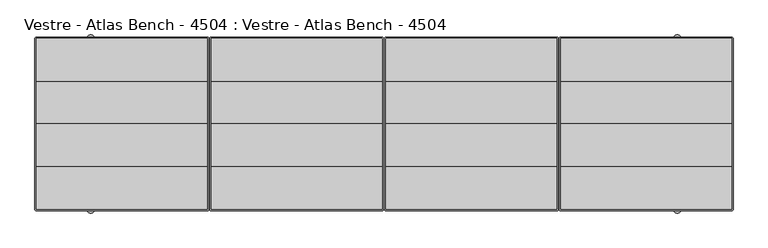
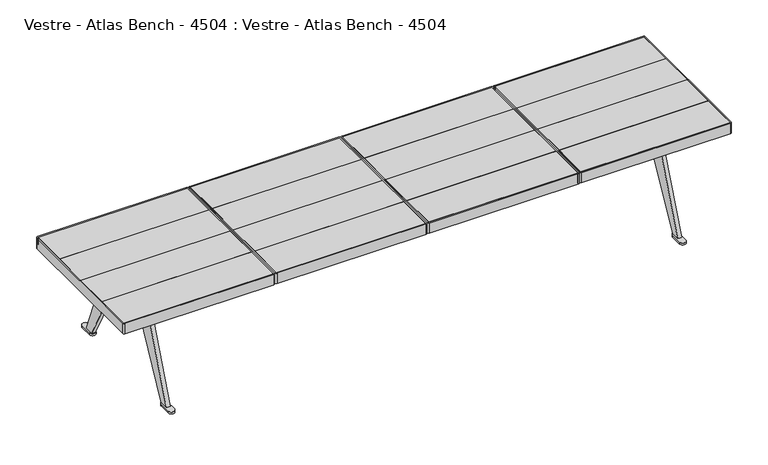
"""IFC4 building model written with IfcOpenShell, lengths in millimetres: furniture geometry, Vestre - Atlas Bench - 4504 : Vestre - Atlas Bench - 4504."""

from ifc_helpers import new_model, si_unit, point, frame, frame_2d, origin, origin_with_axes, place, context, project, spatial, polyline, circle_curve, trimmed, segment, composite_curve, outline, extrude, faceted_brep, source, transform, mapped, element, save


def vestre_atlas_bench_4504_vestre_atlas_bench_4504_dc1d7b06(model_context):
    return source(origin(), model_context, "Body", "SolidModel", [
        extrude(outline(polyline([(6.5004753, -146.0000273), (6.5004753, 0.0), (596.5005089, 0.0), (596.5005089, -146.0000273), (6.5004753, -146.0000273)])), frame((0.0, 0.0, 410.700222), z_axis=(0.0, 0.0, 1.0), x_axis=(1.0, 0.0, 0.0)), (0.0, 0.0, 1.0), 27.9999988),
        extrude(outline(polyline([(6.5004753, 146.0000273), (596.5005089, 146.0000273), (596.5005089, 0.0), (6.5004753, 0.0), (6.5004753, 146.0000273)])), frame((0.0, 0.0, 410.700222), z_axis=(0.0, 0.0, 1.0), x_axis=(1.0, 0.0, 0.0)), (0.0, 0.0, 1.0), 27.9999988),
        extrude(outline(composite_curve([segment(trimmed(circle_curve(frame_2d((595.5097381, 294.0091733)), 0.9907708), [point((595.5097381, 294.9999441))], [point((596.5005089, 294.0091733))], False, "CARTESIAN"), True, "CONTINUOUS"), segment(polyline([(596.5005089, 294.0091733), (596.5005089, 146.0000273), (6.5004753, 146.0000273), (6.5004753, 294.0104801)]), True, "CONTINUOUS"), segment(trimmed(circle_curve(frame_2d((7.4899393, 294.0104801)), 0.989464), [point((6.5004753, 294.0104801))], [point((7.4899393, 294.9999441))], False, "CARTESIAN"), True, "CONTINUOUS"), segment(polyline([(7.4899393, 294.9999441), (595.5097381, 294.9999441)]), True, "CONTINUOUS")], self_intersect=False)), frame((0.0, 0.0, 410.700222), z_axis=(0.0, 0.0, 1.0), x_axis=(1.0, 0.0, 0.0)), (0.0, 0.0, 1.0), 27.9999988),
        extrude(outline(composite_curve([segment(polyline([(595.5362934, -295.0000895), (7.498907, -295.0000895)]), True, "CONTINUOUS"), segment(trimmed(circle_curve(frame_2d((7.498907, -294.0016577)), 0.9984317), [point((7.498907, -295.0000895))], [point((6.5004753, -294.0016577))], False, "CARTESIAN"), True, "CONTINUOUS"), segment(polyline([(6.5004753, -294.0016577), (6.5004753, -146.0000273), (596.5005089, -146.0000273), (596.5005089, -294.035874)]), True, "CONTINUOUS"), segment(trimmed(circle_curve(frame_2d((595.5362934, -294.035874)), 0.9642155), [point((596.5005089, -294.035874))], [point((595.5362934, -295.0000895))], False, "CARTESIAN"), True, "CONTINUOUS")], self_intersect=False)), frame((0.0, 0.0, 410.700222), z_axis=(0.0, 0.0, 1.0), x_axis=(1.0, 0.0, 0.0)), (0.0, 0.0, 1.0), 27.9999988),
        extrude(outline(polyline([(266.5008842, -34.9999712), (266.5008842, 34.9999712), (336.5000999, 34.9999712), (336.5000999, -34.9999712), (266.5008842, -34.9999712)])), frame((0.0, 0.0, 370.8502198), z_axis=(0.0, 0.0, 1.0), x_axis=(1.0, 0.0, 0.0)), (0.0, 0.0, 1.0), 39.8500022),
        extrude(outline(composite_curve([segment(trimmed(circle_curve(frame_2d((595.5370686, -294.0369399)), 5.9631351), [point((601.5002037, -294.0369399))], [point((595.5370686, -300.000075))], False, "CARTESIAN"), True, "CONTINUOUS"), segment(polyline([(595.5370686, -300.000075), (7.5007805, -300.000075)]), True, "CONTINUOUS"), segment(trimmed(circle_curve(frame_2d((7.5007805, -294.000075)), 6.0), [point((7.5007805, -300.000075))], [point((1.5007805, -294.000075))], False, "CARTESIAN"), True, "CONTINUOUS"), segment(polyline([(1.5007805, -294.000075), (1.5007805, 294.000075)]), True, "CONTINUOUS"), segment(trimmed(circle_curve(frame_2d((7.5007805, 294.000075)), 6.0), [point((1.5007805, 294.000075))], [point((7.5007805, 300.000075))], False, "CARTESIAN"), True, "CONTINUOUS"), segment(polyline([(7.5007805, 300.000075), (595.5002037, 300.000075)]), True, "CONTINUOUS"), segment(trimmed(circle_curve(frame_2d((595.5002037, 294.000075)), 6.0), [point((595.5002037, 300.000075))], [point((601.5002037, 294.000075))], False, "CARTESIAN"), True, "CONTINUOUS"), segment(polyline([(601.5002037, 294.000075), (601.5002037, -294.0369399)]), True, "CONTINUOUS")], self_intersect=False), holes=[composite_curve([segment(polyline([(596.5005089, -294.035874), (596.5005089, 294.0091733)]), True, "CONTINUOUS"), segment(trimmed(circle_curve(frame_2d((595.5097381, 294.0091733)), 0.9907708), [point((596.5005089, 294.0091733))], [point((595.5097381, 294.9999441))], True, "CARTESIAN"), True, "CONTINUOUS"), segment(polyline([(595.5097381, 294.9999441), (7.4899393, 294.9999441)]), True, "CONTINUOUS"), segment(trimmed(circle_curve(frame_2d((7.4899393, 294.0104801)), 0.989464), [point((7.4899393, 294.9999441))], [point((6.5004753, 294.0104801))], True, "CARTESIAN"), True, "CONTINUOUS"), segment(polyline([(6.5004753, 294.0104801), (6.5004753, -294.0016577)]), True, "CONTINUOUS"), segment(trimmed(circle_curve(frame_2d((7.498907, -294.0016577)), 0.9984317), [point((6.5004753, -294.0016577))], [point((7.498907, -295.0000895))], True, "CARTESIAN"), True, "CONTINUOUS"), segment(polyline([(7.498907, -295.0000895), (595.5362934, -295.0000895)]), True, "CONTINUOUS"), segment(trimmed(circle_curve(frame_2d((595.5362934, -294.035874)), 0.9642155), [point((595.5362934, -295.0000895))], [point((596.5005089, -294.035874))], True, "CARTESIAN"), True, "CONTINUOUS")], self_intersect=False)]), frame((0.0, 0.0, 395.7002292), z_axis=(0.0, 0.0, 1.0), x_axis=(1.0, 0.0, 0.0)), (0.0, 0.0, 1.0), 42.9999916),
        extrude(outline(polyline([(-6.5004753, -146.0000273), (-596.5005089, -146.0000273), (-596.5005089, 0.0), (-6.5004753, 0.0), (-6.5004753, -146.0000273)])), frame((0.0, 0.0, 410.700222), z_axis=(0.0, 0.0, 1.0), x_axis=(1.0, 0.0, 0.0)), (0.0, 0.0, 1.0), 27.9999988),
        extrude(outline(polyline([(-6.5004753, 146.0000273), (-6.5004753, 0.0), (-596.5005089, 0.0), (-596.5005089, 146.0000273), (-6.5004753, 146.0000273)])), frame((0.0, 0.0, 410.700222), z_axis=(0.0, 0.0, 1.0), x_axis=(1.0, 0.0, 0.0)), (0.0, 0.0, 1.0), 27.9999988),
        extrude(outline(composite_curve([segment(polyline([(-595.5097381, 294.9999441), (-7.4899393, 294.9999441)]), True, "CONTINUOUS"), segment(trimmed(circle_curve(frame_2d((-7.4899393, 294.0104801)), 0.989464), [point((-7.4899393, 294.9999441))], [point((-6.5004753, 294.0104801))], False, "CARTESIAN"), True, "CONTINUOUS"), segment(polyline([(-6.5004753, 294.0104801), (-6.5004753, 146.0000273), (-596.5005089, 146.0000273), (-596.5005089, 294.0091733)]), True, "CONTINUOUS"), segment(trimmed(circle_curve(frame_2d((-595.5097381, 294.0091733)), 0.9907708), [point((-596.5005089, 294.0091733))], [point((-595.5097381, 294.9999441))], False, "CARTESIAN"), True, "CONTINUOUS")], self_intersect=False)), frame((0.0, 0.0, 410.700222), z_axis=(0.0, 0.0, 1.0), x_axis=(1.0, 0.0, 0.0)), (0.0, 0.0, 1.0), 27.9999988),
        extrude(outline(composite_curve([segment(trimmed(circle_curve(frame_2d((-595.5362934, -294.035874)), 0.9642155), [point((-595.5362934, -295.0000895))], [point((-596.5005089, -294.035874))], False, "CARTESIAN"), True, "CONTINUOUS"), segment(polyline([(-596.5005089, -294.035874), (-596.5005089, -146.0000273), (-6.5004753, -146.0000273), (-6.5004753, -294.0016577)]), True, "CONTINUOUS"), segment(trimmed(circle_curve(frame_2d((-7.498907, -294.0016577)), 0.9984317), [point((-6.5004753, -294.0016577))], [point((-7.498907, -295.0000895))], False, "CARTESIAN"), True, "CONTINUOUS"), segment(polyline([(-7.498907, -295.0000895), (-595.5362934, -295.0000895)]), True, "CONTINUOUS")], self_intersect=False)), frame((0.0, 0.0, 410.700222), z_axis=(0.0, 0.0, 1.0), x_axis=(1.0, 0.0, 0.0)), (0.0, 0.0, 1.0), 27.9999988),
        extrude(outline(polyline([(-266.5008842, 34.9999712), (-266.5008842, -34.9999712), (-336.5000999, -34.9999712), (-336.5000999, 34.9999712), (-266.5008842, 34.9999712)])), frame((0.0, 0.0, 370.8502198), z_axis=(0.0, 0.0, 1.0), x_axis=(1.0, 0.0, 0.0)), (0.0, 0.0, 1.0), 39.8500022),
        extrude(outline(composite_curve([segment(polyline([(-601.5002037, -294.0369399), (-601.5002037, 294.000075)]), True, "CONTINUOUS"), segment(trimmed(circle_curve(frame_2d((-595.5002037, 294.000075)), 6.0), [point((-601.5002037, 294.000075))], [point((-595.5002037, 300.000075))], False, "CARTESIAN"), True, "CONTINUOUS"), segment(polyline([(-595.5002037, 300.000075), (-7.5007805, 300.000075)]), True, "CONTINUOUS"), segment(trimmed(circle_curve(frame_2d((-7.5007805, 294.000075)), 6.0), [point((-7.5007805, 300.000075))], [point((-1.5007805, 294.000075))], False, "CARTESIAN"), True, "CONTINUOUS"), segment(polyline([(-1.5007805, 294.000075), (-1.5007805, -294.000075)]), True, "CONTINUOUS"), segment(trimmed(circle_curve(frame_2d((-7.5007805, -294.000075)), 6.0), [point((-1.5007805, -294.000075))], [point((-7.5007805, -300.000075))], False, "CARTESIAN"), True, "CONTINUOUS"), segment(polyline([(-7.5007805, -300.000075), (-595.5370686, -300.000075)]), True, "CONTINUOUS"), segment(trimmed(circle_curve(frame_2d((-595.5370686, -294.0369399)), 5.9631351), [point((-595.5370686, -300.000075))], [point((-601.5002037, -294.0369399))], False, "CARTESIAN"), True, "CONTINUOUS")], self_intersect=False), holes=[composite_curve([segment(trimmed(circle_curve(frame_2d((-595.5362934, -294.035874)), 0.9642155), [point((-596.5005089, -294.035874))], [point((-595.5362934, -295.0000895))], True, "CARTESIAN"), True, "CONTINUOUS"), segment(polyline([(-595.5362934, -295.0000895), (-7.498907, -295.0000895)]), True, "CONTINUOUS"), segment(trimmed(circle_curve(frame_2d((-7.498907, -294.0016577)), 0.9984317), [point((-7.498907, -295.0000895))], [point((-6.5004753, -294.0016577))], True, "CARTESIAN"), True, "CONTINUOUS"), segment(polyline([(-6.5004753, -294.0016577), (-6.5004753, 294.0104801)]), True, "CONTINUOUS"), segment(trimmed(circle_curve(frame_2d((-7.4899393, 294.0104801)), 0.989464), [point((-6.5004753, 294.0104801))], [point((-7.4899393, 294.9999441))], True, "CARTESIAN"), True, "CONTINUOUS"), segment(polyline([(-7.4899393, 294.9999441), (-595.5097381, 294.9999441)]), True, "CONTINUOUS"), segment(trimmed(circle_curve(frame_2d((-595.5097381, 294.0091733)), 0.9907708), [point((-595.5097381, 294.9999441))], [point((-596.5005089, 294.0091733))], True, "CARTESIAN"), True, "CONTINUOUS"), segment(polyline([(-596.5005089, 294.0091733), (-596.5005089, -294.035874)]), True, "CONTINUOUS")], self_intersect=False)]), frame((0.0, 0.0, 395.7002292), z_axis=(0.0, 0.0, 1.0), x_axis=(1.0, 0.0, 0.0)), (0.0, 0.0, 1.0), 42.9999916),
        extrude(outline(polyline([(609.5002968, -146.0000273), (609.5002968, 0.0), (1199.5003304, 0.0), (1199.5003304, -146.0000273), (609.5002968, -146.0000273)])), frame((0.0, 0.0, 410.700222), z_axis=(0.0, 0.0, 1.0), x_axis=(1.0, 0.0, 0.0)), (0.0, 0.0, 1.0), 27.9999988),
        extrude(outline(polyline([(609.5002968, 146.0000273), (1199.5003304, 146.0000273), (1199.5003304, 0.0), (609.5002968, 0.0), (609.5002968, 146.0000273)])), frame((0.0, 0.0, 410.700222), z_axis=(0.0, 0.0, 1.0), x_axis=(1.0, 0.0, 0.0)), (0.0, 0.0, 1.0), 27.9999988),
        extrude(outline(composite_curve([segment(trimmed(circle_curve(frame_2d((1198.5095596, 294.0091733)), 0.9907708), [point((1198.5095596, 294.9999441))], [point((1199.5003304, 294.0091733))], False, "CARTESIAN"), True, "CONTINUOUS"), segment(polyline([(1199.5003304, 294.0091733), (1199.5003304, 146.0000273), (609.5002968, 146.0000273), (609.5002968, 294.0104801)]), True, "CONTINUOUS"), segment(trimmed(circle_curve(frame_2d((610.4897608, 294.0104801)), 0.989464), [point((609.5002968, 294.0104801))], [point((610.4897608, 294.9999441))], False, "CARTESIAN"), True, "CONTINUOUS"), segment(polyline([(610.4897608, 294.9999441), (1198.5095596, 294.9999441)]), True, "CONTINUOUS")], self_intersect=False)), frame((0.0, 0.0, 410.700222), z_axis=(0.0, 0.0, 1.0), x_axis=(1.0, 0.0, 0.0)), (0.0, 0.0, 1.0), 27.9999988),
        extrude(outline(composite_curve([segment(polyline([(1198.5361149, -295.0000895), (610.4987285, -295.0000895)]), True, "CONTINUOUS"), segment(trimmed(circle_curve(frame_2d((610.4987285, -294.0016577)), 0.9984317), [point((610.4987285, -295.0000895))], [point((609.5002968, -294.0016577))], False, "CARTESIAN"), True, "CONTINUOUS"), segment(polyline([(609.5002968, -294.0016577), (609.5002968, -146.0000273), (1199.5003304, -146.0000273), (1199.5003304, -294.035874)]), True, "CONTINUOUS"), segment(trimmed(circle_curve(frame_2d((1198.5361149, -294.035874)), 0.9642155), [point((1199.5003304, -294.035874))], [point((1198.5361149, -295.0000895))], False, "CARTESIAN"), True, "CONTINUOUS")], self_intersect=False)), frame((0.0, 0.0, 410.700222), z_axis=(0.0, 0.0, 1.0), x_axis=(1.0, 0.0, 0.0)), (0.0, 0.0, 1.0), 27.9999988),
        extrude(outline(polyline([(869.5007057, -34.9999712), (869.5007057, 34.9999712), (939.4999214, 34.9999712), (939.4999214, -34.9999712), (869.5007057, -34.9999712)])), frame((0.0, 0.0, 370.8502198), z_axis=(0.0, 0.0, 1.0), x_axis=(1.0, 0.0, 0.0)), (0.0, 0.0, 1.0), 39.8500022),
        extrude(outline(composite_curve([segment(trimmed(circle_curve(frame_2d((1198.5368901, -294.0369399)), 5.9631351), [point((1204.5000252, -294.0369399))], [point((1198.5368901, -300.000075))], False, "CARTESIAN"), True, "CONTINUOUS"), segment(polyline([(1198.5368901, -300.000075), (610.500602, -300.000075)]), True, "CONTINUOUS"), segment(trimmed(circle_curve(frame_2d((610.500602, -294.000075)), 6.0), [point((610.500602, -300.000075))], [point((604.500602, -294.000075))], False, "CARTESIAN"), True, "CONTINUOUS"), segment(polyline([(604.500602, -294.000075), (604.500602, 294.000075)]), True, "CONTINUOUS"), segment(trimmed(circle_curve(frame_2d((610.500602, 294.000075)), 6.0), [point((604.500602, 294.000075))], [point((610.500602, 300.000075))], False, "CARTESIAN"), True, "CONTINUOUS"), segment(polyline([(610.500602, 300.000075), (1198.5000252, 300.000075)]), True, "CONTINUOUS"), segment(trimmed(circle_curve(frame_2d((1198.5000252, 294.000075)), 6.0), [point((1198.5000252, 300.000075))], [point((1204.5000252, 294.000075))], False, "CARTESIAN"), True, "CONTINUOUS"), segment(polyline([(1204.5000252, 294.000075), (1204.5000252, -294.0369399)]), True, "CONTINUOUS")], self_intersect=False), holes=[composite_curve([segment(polyline([(1199.5003304, -294.035874), (1199.5003304, 294.0091733)]), True, "CONTINUOUS"), segment(trimmed(circle_curve(frame_2d((1198.5095596, 294.0091733)), 0.9907708), [point((1199.5003304, 294.0091733))], [point((1198.5095596, 294.9999441))], True, "CARTESIAN"), True, "CONTINUOUS"), segment(polyline([(1198.5095596, 294.9999441), (610.4897608, 294.9999441)]), True, "CONTINUOUS"), segment(trimmed(circle_curve(frame_2d((610.4897608, 294.0104801)), 0.989464), [point((610.4897608, 294.9999441))], [point((609.5002968, 294.0104801))], True, "CARTESIAN"), True, "CONTINUOUS"), segment(polyline([(609.5002968, 294.0104801), (609.5002968, -294.0016577)]), True, "CONTINUOUS"), segment(trimmed(circle_curve(frame_2d((610.4987285, -294.0016577)), 0.9984317), [point((609.5002968, -294.0016577))], [point((610.4987285, -295.0000895))], True, "CARTESIAN"), True, "CONTINUOUS"), segment(polyline([(610.4987285, -295.0000895), (1198.5361149, -295.0000895)]), True, "CONTINUOUS"), segment(trimmed(circle_curve(frame_2d((1198.5361149, -294.035874)), 0.9642155), [point((1198.5361149, -295.0000895))], [point((1199.5003304, -294.035874))], True, "CARTESIAN"), True, "CONTINUOUS")], self_intersect=False)]), frame((0.0, 0.0, 395.7002292), z_axis=(0.0, 0.0, 1.0), x_axis=(1.0, 0.0, 0.0)), (0.0, 0.0, 1.0), 42.9999916),
        extrude(outline(polyline([(-609.5002968, -146.0000273), (-1199.5003304, -146.0000273), (-1199.5003304, 0.0), (-609.5002968, 0.0), (-609.5002968, -146.0000273)])), frame((0.0, 0.0, 410.700222), z_axis=(0.0, 0.0, 1.0), x_axis=(1.0, 0.0, 0.0)), (0.0, 0.0, 1.0), 27.9999988),
        extrude(outline(polyline([(-609.5002968, 146.0000273), (-609.5002968, 0.0), (-1199.5003304, 0.0), (-1199.5003304, 146.0000273), (-609.5002968, 146.0000273)])), frame((0.0, 0.0, 410.700222), z_axis=(0.0, 0.0, 1.0), x_axis=(1.0, 0.0, 0.0)), (0.0, 0.0, 1.0), 27.9999988),
        extrude(outline(composite_curve([segment(polyline([(-1198.5095596, 294.9999441), (-610.4897608, 294.9999441)]), True, "CONTINUOUS"), segment(trimmed(circle_curve(frame_2d((-610.4897608, 294.0104801)), 0.989464), [point((-610.4897608, 294.9999441))], [point((-609.5002968, 294.0104801))], False, "CARTESIAN"), True, "CONTINUOUS"), segment(polyline([(-609.5002968, 294.0104801), (-609.5002968, 146.0000273), (-1199.5003304, 146.0000273), (-1199.5003304, 294.0091733)]), True, "CONTINUOUS"), segment(trimmed(circle_curve(frame_2d((-1198.5095596, 294.0091733)), 0.9907708), [point((-1199.5003304, 294.0091733))], [point((-1198.5095596, 294.9999441))], False, "CARTESIAN"), True, "CONTINUOUS")], self_intersect=False)), frame((0.0, 0.0, 410.700222), z_axis=(0.0, 0.0, 1.0), x_axis=(1.0, 0.0, 0.0)), (0.0, 0.0, 1.0), 27.9999988),
        extrude(outline(composite_curve([segment(trimmed(circle_curve(frame_2d((-1198.5361149, -294.035874)), 0.9642155), [point((-1198.5361149, -295.0000895))], [point((-1199.5003304, -294.035874))], False, "CARTESIAN"), True, "CONTINUOUS"), segment(polyline([(-1199.5003304, -294.035874), (-1199.5003304, -146.0000273), (-609.5002968, -146.0000273), (-609.5002968, -294.0016577)]), True, "CONTINUOUS"), segment(trimmed(circle_curve(frame_2d((-610.4987285, -294.0016577)), 0.9984317), [point((-609.5002968, -294.0016577))], [point((-610.4987285, -295.0000895))], False, "CARTESIAN"), True, "CONTINUOUS"), segment(polyline([(-610.4987285, -295.0000895), (-1198.5361149, -295.0000895)]), True, "CONTINUOUS")], self_intersect=False)), frame((0.0, 0.0, 410.700222), z_axis=(0.0, 0.0, 1.0), x_axis=(1.0, 0.0, 0.0)), (0.0, 0.0, 1.0), 27.9999988),
        extrude(outline(polyline([(-869.5007057, 34.9999712), (-869.5007057, -34.9999712), (-939.4999214, -34.9999712), (-939.4999214, 34.9999712), (-869.5007057, 34.9999712)])), frame((0.0, 0.0, 370.8502198), z_axis=(0.0, 0.0, 1.0), x_axis=(1.0, 0.0, 0.0)), (0.0, 0.0, 1.0), 39.8500022),
        extrude(outline(composite_curve([segment(polyline([(-1204.5000252, -294.0369399), (-1204.5000252, 294.000075)]), True, "CONTINUOUS"), segment(trimmed(circle_curve(frame_2d((-1198.5000252, 294.000075)), 6.0), [point((-1204.5000252, 294.000075))], [point((-1198.5000252, 300.000075))], False, "CARTESIAN"), True, "CONTINUOUS"), segment(polyline([(-1198.5000252, 300.000075), (-610.500602, 300.000075)]), True, "CONTINUOUS"), segment(trimmed(circle_curve(frame_2d((-610.500602, 294.000075)), 6.0), [point((-610.500602, 300.000075))], [point((-604.500602, 294.000075))], False, "CARTESIAN"), True, "CONTINUOUS"), segment(polyline([(-604.500602, 294.000075), (-604.500602, -294.000075)]), True, "CONTINUOUS"), segment(trimmed(circle_curve(frame_2d((-610.500602, -294.000075)), 6.0), [point((-604.500602, -294.000075))], [point((-610.500602, -300.000075))], False, "CARTESIAN"), True, "CONTINUOUS"), segment(polyline([(-610.500602, -300.000075), (-1198.5368901, -300.000075)]), True, "CONTINUOUS"), segment(trimmed(circle_curve(frame_2d((-1198.5368901, -294.0369399)), 5.9631351), [point((-1198.5368901, -300.000075))], [point((-1204.5000252, -294.0369399))], False, "CARTESIAN"), True, "CONTINUOUS")], self_intersect=False), holes=[composite_curve([segment(trimmed(circle_curve(frame_2d((-1198.5361149, -294.035874)), 0.9642155), [point((-1199.5003304, -294.035874))], [point((-1198.5361149, -295.0000895))], True, "CARTESIAN"), True, "CONTINUOUS"), segment(polyline([(-1198.5361149, -295.0000895), (-610.4987285, -295.0000895)]), True, "CONTINUOUS"), segment(trimmed(circle_curve(frame_2d((-610.4987285, -294.0016577)), 0.9984317), [point((-610.4987285, -295.0000895))], [point((-609.5002968, -294.0016577))], True, "CARTESIAN"), True, "CONTINUOUS"), segment(polyline([(-609.5002968, -294.0016577), (-609.5002968, 294.0104801)]), True, "CONTINUOUS"), segment(trimmed(circle_curve(frame_2d((-610.4897608, 294.0104801)), 0.989464), [point((-609.5002968, 294.0104801))], [point((-610.4897608, 294.9999441))], True, "CARTESIAN"), True, "CONTINUOUS"), segment(polyline([(-610.4897608, 294.9999441), (-1198.5095596, 294.9999441)]), True, "CONTINUOUS"), segment(trimmed(circle_curve(frame_2d((-1198.5095596, 294.0091733)), 0.9907708), [point((-1198.5095596, 294.9999441))], [point((-1199.5003304, 294.0091733))], True, "CARTESIAN"), True, "CONTINUOUS"), segment(polyline([(-1199.5003304, 294.0091733), (-1199.5003304, -294.035874)]), True, "CONTINUOUS")], self_intersect=False)]), frame((0.0, 0.0, 395.7002292), z_axis=(0.0, 0.0, 1.0), x_axis=(1.0, 0.0, 0.0)), (0.0, 0.0, 1.0), 42.9999916),
        faceted_brep([(1004.5000237, 0.000218, 304.9999878), (1004.5000237, 77.4830612, 400.0000031), (1004.5000237, -77.4830612, 400.0000031), (-1004.5000237, 0.000218, 304.9999878), (-1004.5000237, -77.4830612, 400.0000031), (-1004.5000237, 77.4830612, 400.0000031), (-869.5001244, 34.9998985, 400.0000031), (-869.5001244, -34.9998985, 400.0000031), (-939.4999214, -34.9998985, 400.0000031), (-939.4999214, 34.9998985, 400.0000031), (-266.5003029, -34.9998985, 400.0000031), (-336.5000999, -34.9998985, 400.0000031), (-336.5000999, 34.9998985, 400.0000031), (-266.5003029, 34.9998985, 400.0000031), (939.4987587, -34.9998985, 400.0000031), (869.4989616, -34.9998985, 400.0000031), (869.4989616, 34.9998985, 400.0000031), (939.4987587, 34.9998985, 400.0000031), (336.4989372, 34.9998985, 400.0000031), (336.4989372, -34.9998985, 400.0000031), (266.4991402, -34.9998985, 400.0000031), (266.4991402, 34.9998985, 400.0000031), (-869.5001244, -34.9998985, 370.8502198), (-869.5001244, 34.9998985, 370.8502198), (-939.4999214, 34.9998985, 370.8502198), (-939.4999214, -34.9998985, 370.8502198), (-336.5000999, -34.9998985, 370.8502198), (-266.5003029, -34.9998985, 370.8502198), (-266.5003029, 34.9998985, 370.8502198), (-336.5000999, 34.9998985, 370.8502198), (869.4989616, -34.9998985, 370.8502198), (939.4987587, -34.9998985, 370.8502198), (939.4987587, 34.9998985, 370.8502198), (869.4989616, 34.9998985, 370.8502198), (336.4989372, -34.9998985, 370.8502198), (336.4989372, 34.9998985, 370.8502198), (266.4991402, 34.9998985, 370.8502198), (266.4991402, -34.9998985, 370.8502198)], [[[0, 1, 2]], [[3, 4, 5]], [[1, 0, 3, 5]], [[2, 1, 5, 4], [6, 7, 8, 9], [10, 11, 12, 13], [14, 15, 16, 17], [18, 19, 20, 21]], [[0, 2, 4, 3]], [[22, 23, 24, 25]], [[26, 27, 28, 29]], [[30, 31, 32, 33]], [[34, 35, 36, 37]], [[23, 22, 7, 6]], [[24, 23, 6, 9]], [[25, 24, 9, 8]], [[22, 25, 8, 7]], [[27, 26, 11, 10]], [[28, 27, 10, 13]], [[29, 28, 13, 12]], [[26, 29, 12, 11]], [[31, 30, 15, 14]], [[32, 31, 14, 17]], [[33, 32, 17, 16]], [[30, 33, 16, 15]], [[35, 34, 19, 18]], [[36, 35, 18, 21]], [[37, 36, 21, 20]], [[34, 37, 20, 19]]]),
        extrude(outline(composite_curve([segment(polyline([(274.4583657, 7.85), (238.7434801, 7.85), (86.6509732, 294.3770811)]), True, "CONTINUOUS"), segment(trimmed(circle_curve(frame_2d((68.9854666, 284.9999878)), 20.0), [point((86.6509732, 294.3770811))], [point((68.9854666, 304.9999878))], True, "CARTESIAN"), True, "CONTINUOUS"), segment(polyline([(68.9854666, 304.9999878), (-68.9850306, 304.9999878)]), True, "CONTINUOUS"), segment(trimmed(circle_curve(frame_2d((-68.9850306, 284.9999878)), 20.0), [point((-68.9850306, 304.9999878))], [point((-86.6505371, 294.3770811))], True, "CARTESIAN"), True, "CONTINUOUS"), segment(polyline([(-86.6505371, 294.3770811), (-238.7430441, 7.85), (-274.4579296, 7.85), (-122.5038091, 393.6645503)]), True, "CONTINUOUS"), segment(trimmed(circle_curve(frame_2d((-113.1994503, 390.0000031)), 10.0), [point((-122.5038091, 393.6645503))], [point((-113.1994503, 400.0000031))], False, "CARTESIAN"), True, "CONTINUOUS"), segment(polyline([(-113.1994503, 400.0000031), (113.1998863, 400.0000031)]), True, "CONTINUOUS"), segment(trimmed(circle_curve(frame_2d((113.1998863, 390.0000031)), 10.0), [point((113.1998863, 400.0000031))], [point((122.5042451, 393.6645503))], False, "CARTESIAN"), True, "CONTINUOUS"), segment(polyline([(122.5042451, 393.6645503), (274.4583657, 7.85)]), True, "CONTINUOUS")], self_intersect=False)), frame((1004.4988609, 0.0, 0.0), z_axis=(1.0, 0.0, 0.0), x_axis=(0.0, 1.0, 0.0)), (0.0, 0.0, 1.0), 15.0002472),
        extrude(outline(composite_curve([segment(trimmed(circle_curve(frame_2d((-1011.9998566, 294.7883199)), 12.5001091), [point((-1024.4999657, 294.7883199))], [point((-999.4997475, 294.7883199))], False, "CARTESIAN"), True, "CONTINUOUS"), segment(polyline([(-999.4997475, 294.7883199), (-999.4997475, 246.6673202)]), True, "CONTINUOUS"), segment(trimmed(circle_curve(frame_2d((-1011.9998566, 246.6673202)), 12.5001091), [point((-999.4997475, 246.6673202))], [point((-1024.4999657, 246.6673202))], False, "CARTESIAN"), True, "CONTINUOUS"), segment(polyline([(-1024.4999657, 246.6673202), (-1024.4999657, 294.7883199)]), True, "CONTINUOUS")], self_intersect=False)), origin_with_axes(), (0.0, 0.0, 1.0), 7.85),
        extrude(outline(composite_curve([segment(polyline([(-1024.4999657, -294.7878839), (-1024.4999657, -246.6668842)]), True, "CONTINUOUS"), segment(trimmed(circle_curve(frame_2d((-1011.9998566, -246.6668842)), 12.5001091), [point((-1024.4999657, -246.6668842))], [point((-999.4997475, -246.6668842))], False, "CARTESIAN"), True, "CONTINUOUS"), segment(polyline([(-999.4997475, -246.6668842), (-999.4997475, -294.7878839)]), True, "CONTINUOUS"), segment(trimmed(circle_curve(frame_2d((-1011.9998566, -294.7878839)), 12.5001091), [point((-999.4997475, -294.7878839))], [point((-1024.4999657, -294.7878839))], False, "CARTESIAN"), True, "CONTINUOUS")], self_intersect=False)), origin_with_axes(), (0.0, 0.0, 1.0), 7.85),
        extrude(outline(composite_curve([segment(polyline([(1024.4988029, 294.7883199), (1024.4988029, 246.6673202)]), True, "CONTINUOUS"), segment(trimmed(circle_curve(frame_2d((1011.9986938, 246.6673202)), 12.5001091), [point((1024.4988029, 246.6673202))], [point((999.4985847, 246.6673202))], False, "CARTESIAN"), True, "CONTINUOUS"), segment(polyline([(999.4985847, 246.6673202), (999.4985847, 294.7883199)]), True, "CONTINUOUS"), segment(trimmed(circle_curve(frame_2d((1011.9986938, 294.7883199)), 12.5001091), [point((999.4985847, 294.7883199))], [point((1024.4988029, 294.7883199))], False, "CARTESIAN"), True, "CONTINUOUS")], self_intersect=False)), origin_with_axes(), (0.0, 0.0, 1.0), 7.85),
        extrude(outline(composite_curve([segment(trimmed(circle_curve(frame_2d((1011.9986938, -294.7878839)), 12.5001091), [point((1024.4988029, -294.7878839))], [point((999.4985847, -294.7878839))], False, "CARTESIAN"), True, "CONTINUOUS"), segment(polyline([(999.4985847, -294.7878839), (999.4985847, -246.6668842)]), True, "CONTINUOUS"), segment(trimmed(circle_curve(frame_2d((1011.9986938, -246.6668842)), 12.5001091), [point((999.4985847, -246.6668842))], [point((1024.4988029, -246.6668842))], False, "CARTESIAN"), True, "CONTINUOUS"), segment(polyline([(1024.4988029, -246.6668842), (1024.4988029, -294.7878839)]), True, "CONTINUOUS")], self_intersect=False)), origin_with_axes(), (0.0, 0.0, 1.0), 7.85),
        extrude(outline(composite_curve([segment(polyline([(274.4583657, 7.85), (238.7434801, 7.85), (86.6509732, 294.3770811)]), True, "CONTINUOUS"), segment(trimmed(circle_curve(frame_2d((68.9854666, 284.9999878)), 20.0), [point((86.6509732, 294.3770811))], [point((68.9854666, 304.9999878))], True, "CARTESIAN"), True, "CONTINUOUS"), segment(polyline([(68.9854666, 304.9999878), (-68.9850306, 304.9999878)]), True, "CONTINUOUS"), segment(trimmed(circle_curve(frame_2d((-68.9850306, 284.9999878)), 20.0), [point((-68.9850306, 304.9999878))], [point((-86.6505371, 294.3770811))], True, "CARTESIAN"), True, "CONTINUOUS"), segment(polyline([(-86.6505371, 294.3770811), (-238.7430441, 7.85), (-274.4579296, 7.85), (-122.5038091, 393.6645503)]), True, "CONTINUOUS"), segment(trimmed(circle_curve(frame_2d((-113.1994503, 390.0000031)), 10.0), [point((-122.5038091, 393.6645503))], [point((-113.1994503, 400.0000031))], False, "CARTESIAN"), True, "CONTINUOUS"), segment(polyline([(-113.1994503, 400.0000031), (113.1998863, 400.0000031)]), True, "CONTINUOUS"), segment(trimmed(circle_curve(frame_2d((113.1998863, 390.0000031)), 10.0), [point((113.1998863, 400.0000031))], [point((122.5042451, 393.6645503))], False, "CARTESIAN"), True, "CONTINUOUS"), segment(polyline([(122.5042451, 393.6645503), (274.4583657, 7.85)]), True, "CONTINUOUS")], self_intersect=False)), frame((-1019.5002708, 0.0, 0.0), z_axis=(1.0, 0.0, 0.0), x_axis=(0.0, 1.0, 0.0)), (0.0, 0.0, 1.0), 15.0002472),
    ])


if __name__ == "__main__":
    model = new_model("IFC4")
    model_context = context("Model", 3, world=origin())
    ifc_project = project(units=[si_unit("LENGTHUNIT", "METRE", prefix="MILLI")], contexts=[model_context])
    site = spatial("IfcSite", under=ifc_project)
    building = spatial("IfcBuilding", under=site)
    placement = place(None, origin())
    vestre_atlas_bench_4504_vestre_atlas_bench_4504_shape = vestre_atlas_bench_4504_vestre_atlas_bench_4504_dc1d7b06(model_context)
    element("IfcFurniture", 1, ObjectType="Vestre - Atlas Bench - 4504 : Vestre - Atlas Bench - 4504", at=placement, inside=building, context=model_context, shape_type="MappedRepresentation", body=[
        mapped(vestre_atlas_bench_4504_vestre_atlas_bench_4504_shape, transform((0.0, 0.0, 0.0), x_axis=(1.0, 0.0, 0.0), y_axis=(0.0, 1.0, 0.0), z_axis=(0.0, 0.0, 1.0))),
    ])
    save(model, "model.ifc")
